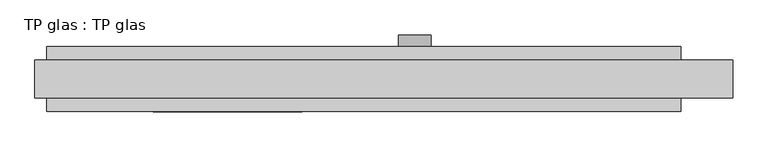
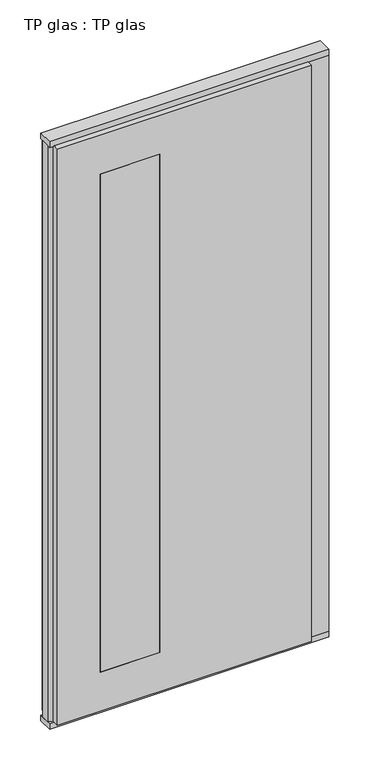
"""IFC4 building model written with IfcOpenShell, lengths in millimetres: plate geometry, TP glas : TP glas."""

from ifc_helpers import new_model, si_unit, point, frame, frame_2d, origin, origin_with_axes, place, context, project, spatial, polyline, circle_curve, trimmed, segment, composite_curve, outline, extrude, faceted_brep, source, transform, mapped, element, save


def tp_glas_tp_glas_bd2073ba(model_context):
    return source(origin(), model_context, "Body", "SolidModel", [
        faceted_brep([(-570.0, 22.9993165, 25.0), (-570.0, 22.9993165, 2602.0), (-570.0, 55.0, 2602.0), (-570.0, 55.0, 25.0), (-590.0, 17.6401049, 25.0), (-590.0, 17.6401049, 2602.0), (-590.0, -17.6401049, 25.0), (-590.0, -17.6401049, 2602.0), (-570.0, -22.9993165, 25.0), (-570.0, -22.9993165, 2602.0), (-570.0, -55.0, 25.0), (-570.0, -55.0, 2602.0), (502.0507813, -55.0, 25.0), (502.0507813, 55.0, 25.0), (502.0507813, 30.5, 25.0), (590.0, 30.5, 25.0), (590.0, -30.5, 25.0), (502.0507813, -30.5, 25.0), (502.0507813, -30.5, 2602.0), (502.0507813, -55.0, 2602.0), (590.0, -30.5, 2602.0), (590.0, 30.5, 2602.0), (502.0507813, 30.5, 2602.0), (502.0507813, 55.0, 2602.0), (-390.0, 55.0, 2427.0), (-390.0, 55.0, 200.0), (-137.9492187, 55.0, 200.0), (-137.9492187, 55.0, 2427.0), (-137.9492187, -55.0, 2427.0), (-137.9492187, -55.0, 200.0), (-390.0, -55.0, 200.0), (-390.0, -55.0, 2427.0)], [[[0, 1, 2, 3]], [[4, 5, 1, 0]], [[6, 7, 5, 4]], [[8, 9, 7, 6]], [[10, 11, 9, 8]], [[12, 10, 8, 6, 4, 0, 3, 13, 14, 15, 16, 17]], [[17, 18, 19, 12]], [[16, 20, 18, 17]], [[15, 21, 20, 16]], [[14, 22, 21, 15]], [[13, 23, 22, 14]], [[3, 2, 23, 13], [24, 25, 26, 27]], [[11, 10, 12, 19], [28, 29, 30, 31]], [[23, 2, 1, 5, 7, 9, 11, 19, 18, 20, 21, 22]], [[28, 31, 24, 27]], [[31, 30, 25, 24]], [[30, 29, 26, 25]], [[27, 26, 29, 28]]]),
        extrude(outline(polyline([(-590.0, 32.0), (590.0, 32.0), (590.0, -32.0), (-590.0, -32.0), (-590.0, 32.0)])), origin_with_axes(), (0.0, 0.0, 1.0), 25.0),
        extrude(outline(polyline([(-590.0, 32.0), (590.0, 32.0), (590.0, -32.0), (-590.0, -32.0), (-590.0, 32.0)])), frame((0.0, 0.0, 2602.0), z_axis=(0.0, 0.0, 1.0), x_axis=(1.0, 0.0, 0.0)), (0.0, 0.0, 1.0), 25.0),
        extrude(outline(composite_curve([segment(trimmed(circle_curve(frame_2d((1040.0, 52.0507813)), 27.5), [point((1040.0, 79.5507813))], [point((1040.0, 24.5507813))], False, "CARTESIAN"), True, "CONTINUOUS"), segment(trimmed(circle_curve(frame_2d((1040.0, 52.0507813)), 27.5), [point((1040.0, 24.5507813))], [point((1040.0, 79.5507813))], False, "CARTESIAN"), True, "CONTINUOUS")], self_intersect=False), holes=[composite_curve([segment(trimmed(circle_curve(frame_2d((1040.0, 52.0507813)), 10.0), [point((1040.0, 62.0507813))], [point((1040.0, 42.0507813))], True, "CARTESIAN"), True, "CONTINUOUS"), segment(trimmed(circle_curve(frame_2d((1040.0, 52.0507813)), 10.0), [point((1040.0, 42.0507813))], [point((1040.0, 62.0507813))], True, "CARTESIAN"), True, "CONTINUOUS")], self_intersect=False)]), frame((0.0, 55.0, 0.0), z_axis=(0.0, 1.0, 0.0), x_axis=(0.0, 0.0, 1.0)), (0.0, 0.0, 1.0), 20.0),
        extrude(outline(polyline([(-137.9492187, 55.0), (-137.9492187, -55.0), (-390.0, -55.0), (-390.0, 55.0), (-137.9492187, 55.0)])), frame((0.0, 0.0, 200.0), z_axis=(0.0, 0.0, 1.0), x_axis=(1.0, 0.0, 0.0)), (0.0, 0.0, 1.0), 2227.0),
    ])


if __name__ == "__main__":
    model = new_model("IFC4")
    model_context = context("Model", 3, world=origin())
    ifc_project = project(units=[si_unit("LENGTHUNIT", "METRE", prefix="MILLI")], contexts=[model_context])
    site = spatial("IfcSite", under=ifc_project)
    building = spatial("IfcBuilding", under=site)
    placement = place(None, origin())
    tp_glas_tp_glas_shape = tp_glas_tp_glas_bd2073ba(model_context)
    element("IfcPlate", 1, ObjectType="TP glas : TP glas", at=placement, inside=building, context=model_context, shape_type="MappedRepresentation", body=[
        mapped(tp_glas_tp_glas_shape, transform((0.0, 0.0, 0.0), x_axis=(1.0, 0.0, 0.0), y_axis=(0.0, 1.0, 0.0), z_axis=(0.0, 0.0, 1.0))),
    ])
    save(model, "model.ifc")
